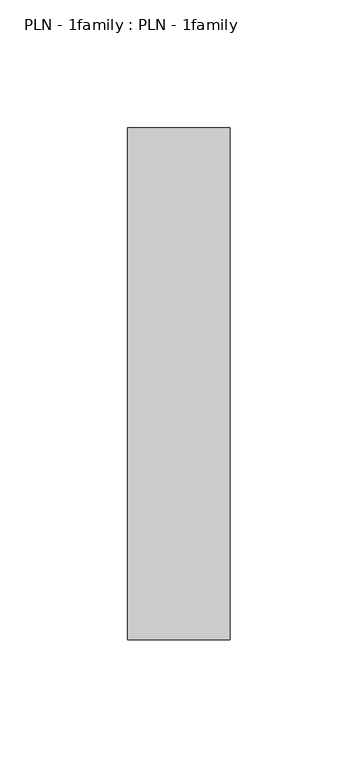
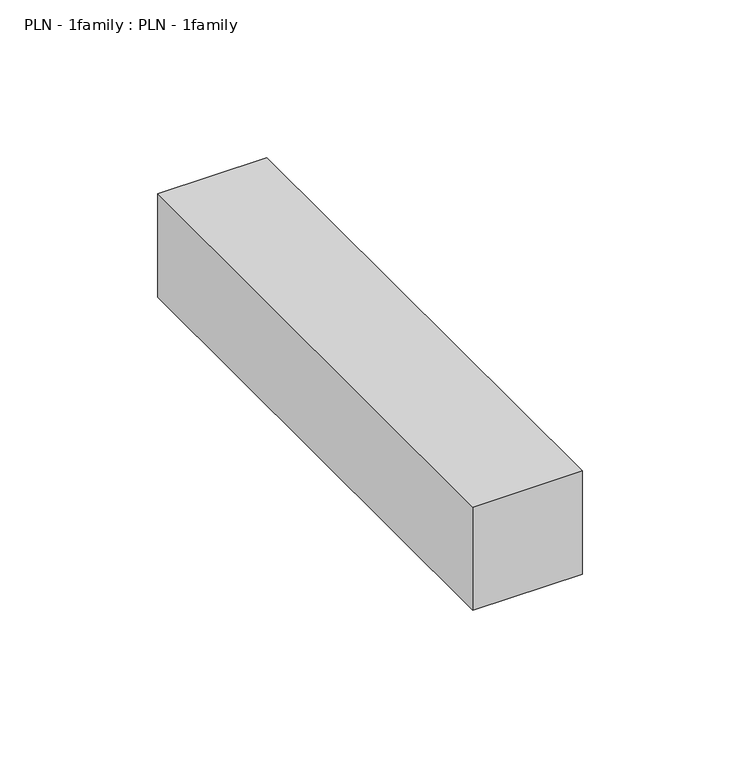
"""IFC4 building model written with IfcOpenShell, lengths in millimetres: proxy geometry, PLN - 1family : PLN - 1family."""

import ifcopenshell
import ifcopenshell.guid

model = None  # the IFC model being written
_history = None  # IfcOwnerHistory: only IFC2X3 demands one
_inside = {}  # id of a spatial element -> (the spatial element, [elements in it])
_under = {}  # id of a project, library or spatial element -> (it, [spatial elements below it])
_declared = {}  # id of a project -> (the project, [libraries it declares])
_typed = {}  # id of a type object -> (the type object, [elements of that type])
_made_of = {}  # id of a material, layer set ... -> (it, [elements and type objects made of it])


def new_model(schema):
    """Start an empty IFC model of exactly this schema.

    Asked for "IFC4X3", IfcOpenShell would pick the latest addendum, in which some entities
    have other attributes; the version numbers below select the first issue.
    IFC2X3 requires an IfcOwnerHistory on every rooted entity: one is made here for all.
    """
    global model, _history
    if schema == "IFC4X3":
        model = ifcopenshell.file(schema_version=(4, 3, 0, 0))
    else:
        model = ifcopenshell.file(schema=schema)
    _inside.clear()
    _under.clear()
    _declared.clear()
    _typed.clear()
    _made_of.clear()
    _history = None
    if model.schema == "IFC2X3":
        org = make("IfcOrganization", Name="unknown")
        user = make(
            "IfcPersonAndOrganization",
            ThePerson=make("IfcPerson", FamilyName="unknown"),
            TheOrganization=org,
        )
        app = make(
            "IfcApplication",
            ApplicationDeveloper=org,
            Version="unknown",
            ApplicationFullName="unknown",
            ApplicationIdentifier="unknown",
        )
        _history = make(
            "IfcOwnerHistory",
            OwningUser=user,
            OwningApplication=app,
            ChangeAction="ADDED",
            CreationDate=0,
        )
    return model


def make(cls, **values):
    """One entity of the class cls with the attributes given. An attribute that is None is left unset."""
    return model.create_entity(
        cls, **{name: value for name, value in values.items() if value is not None}
    )


def rooted(cls, **values):
    """An entity with a GlobalId (a new one), such as an element, a storey or a relation."""
    return make(cls, GlobalId=ifcopenshell.guid.new(), OwnerHistory=_history, **values)


def si_unit(unit_type, name, prefix=None):
    """IfcSIUnit, for example si_unit("LENGTHUNIT", "METRE", prefix="MILLI")."""
    return make("IfcSIUnit", UnitType=unit_type, Prefix=prefix, Name=name)


def assignment(units):
    """IfcUnitAssignment: the units of a project."""
    return None if units is None else make("IfcUnitAssignment", Units=units)


def point(xyz):
    """IfcCartesianPoint."""
    return None if xyz is None else make("IfcCartesianPoint", Coordinates=xyz)


def direction(xyz):
    """IfcDirection."""
    return None if xyz is None else make("IfcDirection", DirectionRatios=xyz)


def frame(location, z_axis=None, x_axis=None):
    """IfcAxis2Placement3D, a coordinate frame: its origin and axes. An axis left out is left unset."""
    return make(
        "IfcAxis2Placement3D",
        Location=point(location),
        Axis=direction(z_axis),
        RefDirection=direction(x_axis),
    )


def origin():
    """The frame at (0, 0, 0) with its axes left unset."""
    return frame((0.0, 0.0, 0.0))


def place(relative_to, where):
    """IfcLocalPlacement: puts the frame where relative to a parent placement (None: the world)."""
    return make(
        "IfcLocalPlacement", PlacementRelTo=relative_to, RelativePlacement=where
    )


def context(
    kind, dimensions, precision=None, world=None, true_north=None, identifier=None
):
    """IfcGeometricRepresentationContext, for example the 3D "Model" context."""
    return make(
        "IfcGeometricRepresentationContext",
        ContextIdentifier=identifier,
        ContextType=kind,
        CoordinateSpaceDimension=dimensions,
        Precision=precision,
        WorldCoordinateSystem=world,
        TrueNorth=true_north,
    )


def project(units=None, contexts=None):
    """IfcProject with its units and contexts."""
    return rooted(
        "IfcProject",
        Name="project",
        RepresentationContexts=contexts,
        UnitsInContext=assignment(units),
    )


def spatial(cls, under=None, at=None, **own):
    """A site, building, storey or space (cls), placed at a placement, below another one or the project."""
    s = rooted(cls, ObjectPlacement=at, **own)
    if under is not None:
        _under.setdefault(under.id(), (under, []))[1].append(s)
    return s


def polyline(points):
    """IfcPolyline through the points."""
    return make("IfcPolyline", Points=[point(p) for p in points])


def outline(outer, holes=None, kind="AREA"):
    """IfcArbitraryClosedProfileDef: a profile drawn as a closed curve; with holes, ...WithVoids."""
    if holes is None:
        return make("IfcArbitraryClosedProfileDef", ProfileType=kind, OuterCurve=outer)
    return make(
        "IfcArbitraryProfileDefWithVoids",
        ProfileType=kind,
        OuterCurve=outer,
        InnerCurves=holes,
    )


def extrude(swept, where, along, depth):
    """IfcExtrudedAreaSolid: the profile swept, set in the frame where, extruded along a direction by depth."""
    return make(
        "IfcExtrudedAreaSolid",
        SweptArea=swept,
        Position=where,
        ExtrudedDirection=direction(along),
        Depth=depth,
    )


def shape(context_of_items, identifier, shape_type, items):
    """IfcShapeRepresentation: the items that make up one representation, for example the "Body"."""
    return make(
        "IfcShapeRepresentation",
        ContextOfItems=context_of_items,
        RepresentationIdentifier=identifier,
        RepresentationType=shape_type,
        Items=items,
    )


def source(mapping_origin, context_of_items, identifier, shape_type, items):
    """IfcRepresentationMap: a shape defined once, which mapped items show again and again."""
    return make(
        "IfcRepresentationMap",
        MappingOrigin=mapping_origin,
        MappedRepresentation=shape(context_of_items, identifier, shape_type, items),
    )


def transform(
    local_origin,
    x_axis=None,
    y_axis=None,
    z_axis=None,
    scale=None,
    scale2=None,
    scale3=None,
    uniform=True,
):
    """IfcCartesianTransformationOperator3D, or its non-uniform kind. x_axis, y_axis, z_axis: its Axis1, 2, 3."""
    if uniform:
        return make(
            "IfcCartesianTransformationOperator3D",
            Axis1=direction(x_axis),
            Axis2=direction(y_axis),
            LocalOrigin=point(local_origin),
            Scale=scale,
            Axis3=direction(z_axis),
        )
    return make(
        "IfcCartesianTransformationOperator3DnonUniform",
        Axis1=direction(x_axis),
        Axis2=direction(y_axis),
        LocalOrigin=point(local_origin),
        Scale=scale,
        Axis3=direction(z_axis),
        Scale2=scale2,
        Scale3=scale3,
    )


def mapped(mapping_source, mapping_target):
    """IfcMappedItem: shows the shape of a source again, moved by a transform."""
    return make(
        "IfcMappedItem", MappingSource=mapping_source, MappingTarget=mapping_target
    )


def made_of(thing, what):
    """Note that an element or type object is made of a material, layer set ...; save() writes the relation."""
    if what is not None:
        _made_of.setdefault(what.id(), (what, []))[1].append(thing)
    return thing


def element(
    cls,
    number,
    at=None,
    inside=None,
    cuts=None,
    type_object=None,
    material=None,
    context=None,
    identifier="Body",
    shape_type=None,
    held_by="IfcProductDefinitionShape",
    body=None,
    shapes=None,
    **own,
):
    """One element of the class cls, such as IfcWall. Its Tag is "e" and its number.

    at: its placement. inside: the storey or other place that contains it. cuts: it is an
    opening in that element (IfcRelVoidsElement). A single representation is given by context,
    identifier, shape_type and body (its items); several are given by shapes. held_by: the class
    of the entity that holds the representations. save() writes the other relations.
    """
    e = rooted(cls, Tag="e%d" % number, ObjectPlacement=at, **own)
    if body is not None:
        shapes = [shape(context, identifier, shape_type, body)]
    if shapes is not None:
        e.Representation = make(held_by, Representations=shapes)
    if inside is not None:
        _inside.setdefault(inside.id(), (inside, []))[1].append(e)
    if cuts is not None:
        rooted(
            "IfcRelVoidsElement", RelatingBuildingElement=cuts, RelatedOpeningElement=e
        )
    if type_object is not None:
        _typed.setdefault(type_object.id(), (type_object, []))[1].append(e)
    return made_of(e, material)


def aggregate(whole, parts):
    """IfcRelAggregates: a whole, such as a stair, and the parts it consists of."""
    return rooted("IfcRelAggregates", RelatingObject=whole, RelatedObjects=parts)


def save(model, path):
    """Write the relations noted so far, then the file.

    IfcRelAggregates (storeys below a building ...), IfcRelContainedInSpatialStructure (elements
    in a storey), IfcRelDefinesByType, IfcRelAssociatesMaterial and IfcRelDeclares: one each for
    every whole, place, type object, material and project.
    """
    for whole, parts in _under.values():
        aggregate(whole, parts)
    for where, things in _inside.values():
        rooted(
            "IfcRelContainedInSpatialStructure",
            RelatedElements=things,
            RelatingStructure=where,
        )
    for kind, things in _typed.values():
        rooted("IfcRelDefinesByType", RelatedObjects=things, RelatingType=kind)
    for what, things in _made_of.values():
        rooted("IfcRelAssociatesMaterial", RelatedObjects=things, RelatingMaterial=what)
    for by, libraries in _declared.values():
        rooted("IfcRelDeclares", RelatingContext=by, RelatedDefinitions=libraries)
    model.write(path)


def pln_1family_pln_1family_afff1ceb(model_context):
    return source(origin(), model_context, "Body", "SweptSolid", [
        extrude(outline(polyline([(0.0, -200.0), (0.0, 0.0), (40.0, 0.0), (40.0, -200.0), (0.0, -200.0)])), frame((0.0, 0.0, 150.0), z_axis=(0.0, 0.0, 1.0), x_axis=(1.0, 0.0, 0.0)), (0.0, 0.0, 1.0), 40.0),
    ])


if __name__ == "__main__":
    model = new_model("IFC4")
    model_context = context("Model", 3, world=origin())
    ifc_project = project(units=[si_unit("LENGTHUNIT", "METRE", prefix="MILLI")], contexts=[model_context])
    site = spatial("IfcSite", under=ifc_project)
    building = spatial("IfcBuilding", under=site)
    placement = place(None, origin())
    pln_1family_pln_1family_shape = pln_1family_pln_1family_afff1ceb(model_context)
    element("IfcBuildingElementProxy", 1, Name="PLN - 1family : PLN - 1family", ObjectType="PLN - 1family : PLN - 1family", at=placement, inside=building, context=model_context, shape_type="MappedRepresentation", body=[
        mapped(pln_1family_pln_1family_shape, transform((0.0, 0.0, 0.0), x_axis=(1.0, 0.0, 0.0), y_axis=(0.0, 1.0, 0.0), z_axis=(0.0, 0.0, 1.0))),
    ])
    save(model, "model.ifc")
